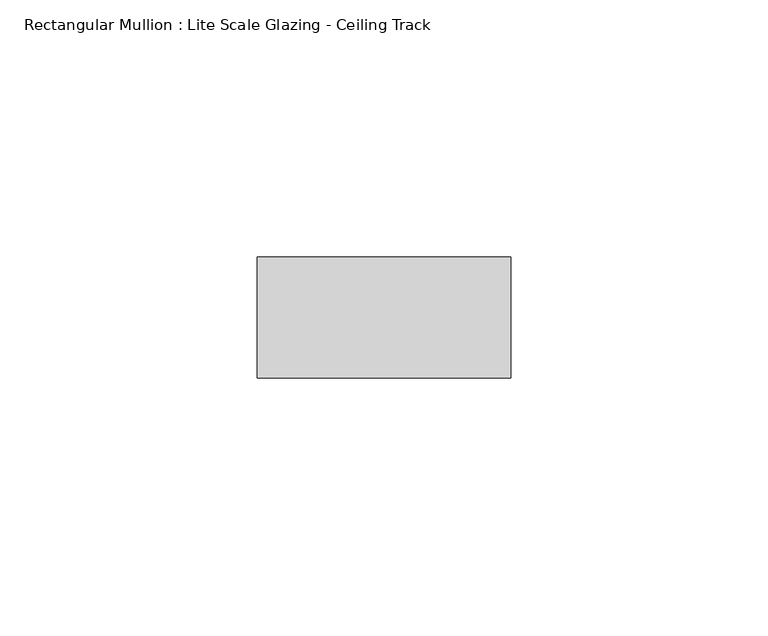
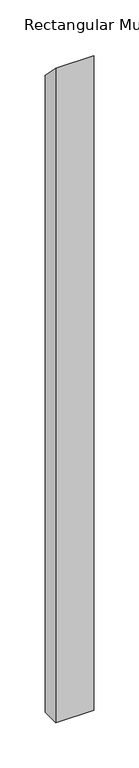
"""IFC4 building model written with IfcOpenShell, lengths in millimetres: member geometry, Rectangular Mullion : Lite Scale Glazing - Ceiling Track."""

from ifc_helpers import new_model, si_unit, frame, origin, place, context, project, spatial, polyline, outline, extrude, source, transform, mapped, element, save


def rectangular_mullion_lite_scale_glazing_ceiling_track_8eebcfa3(model_context):
    return source(origin(), model_context, "Body", "SweptSolid", [
        extrude(outline(polyline([(-11.7474999, 11.7474999), (11.7474999, -11.7474999), (11.7474999, -876.3), (-11.7474999, -876.3), (-11.7474999, 11.7474999)])), frame((-49.276, 0.0, 0.0), z_axis=(1.0, 0.0, 0.0), x_axis=(0.0, 1.0, 0.0)), (0.0, 0.0, 1.0), 49.276),
    ])


if __name__ == "__main__":
    model = new_model("IFC4")
    model_context = context("Model", 3, world=origin())
    ifc_project = project(units=[si_unit("LENGTHUNIT", "METRE", prefix="MILLI")], contexts=[model_context])
    site = spatial("IfcSite", under=ifc_project)
    building = spatial("IfcBuilding", under=site)
    placement = place(None, origin())
    rectangular_mullion_lite_scale_glazing_ceiling_track_shape = rectangular_mullion_lite_scale_glazing_ceiling_track_8eebcfa3(model_context)
    element("IfcMember", 1, ObjectType="Rectangular Mullion : Lite Scale Glazing - Ceiling Track", at=placement, inside=building, context=model_context, shape_type="MappedRepresentation", body=[
        mapped(rectangular_mullion_lite_scale_glazing_ceiling_track_shape, transform((0.0, 0.0, 0.0), x_axis=(1.0, 0.0, 0.0), y_axis=(0.0, 1.0, 0.0), z_axis=(0.0, 0.0, 1.0))),
    ])
    save(model, "model.ifc")
